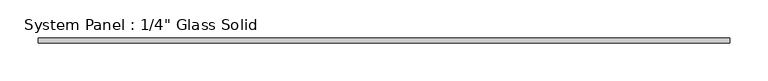
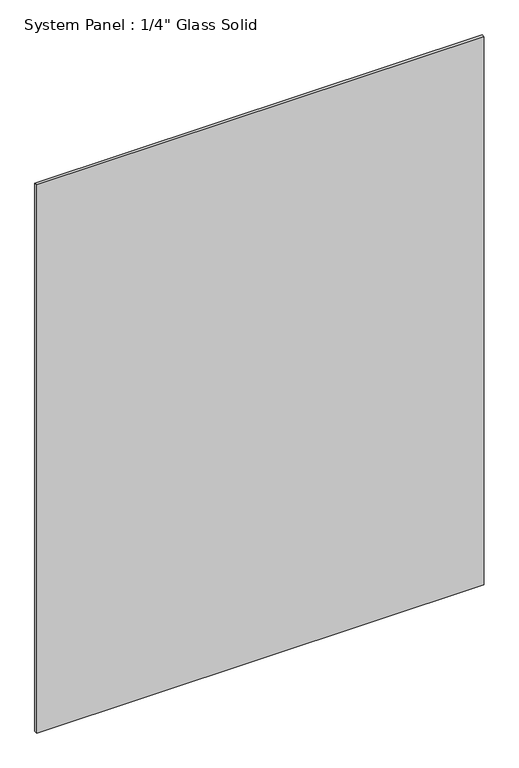
"""IFC4 building model written with IfcOpenShell, lengths in millimetres: plate geometry."""

from ifc_helpers import new_model, si_unit, origin, origin_with_axes, place, context, project, spatial, polyline, outline, extrude, source, transform, mapped, element, save


def plate_31565a07(model_context):
    return source(origin(), model_context, "Body", "SweptSolid", [
        extrude(outline(polyline([(453.0180865, -3.175), (-453.0180865, -3.175), (-453.0180865, 3.175), (453.0180865, 3.175), (453.0180865, -3.175)])), origin_with_axes(), (0.0, 0.0, 1.0), 1172.7344027),
    ])


if __name__ == "__main__":
    model = new_model("IFC4")
    model_context = context("Model", 3, world=origin())
    ifc_project = project(units=[si_unit("LENGTHUNIT", "METRE", prefix="MILLI")], contexts=[model_context])
    site = spatial("IfcSite", under=ifc_project)
    building = spatial("IfcBuilding", under=site)
    placement = place(None, origin())
    plate_shape = plate_31565a07(model_context)
    element("IfcPlate", 1, ObjectType="System Panel : 1/4\" Glass Solid", at=placement, inside=building, context=model_context, shape_type="MappedRepresentation", body=[
        mapped(plate_shape, transform((0.0, 0.0, 0.0), x_axis=(1.0, 0.0, 0.0), y_axis=(0.0, 1.0, 0.0), z_axis=(0.0, 0.0, 1.0))),
    ])
    save(model, "model.ifc")
